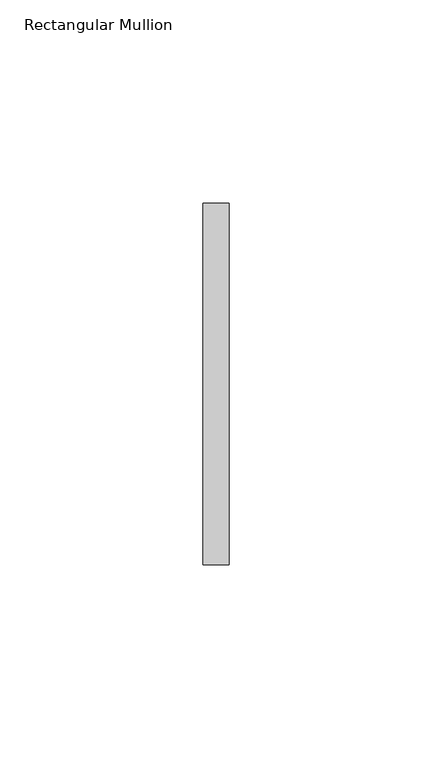
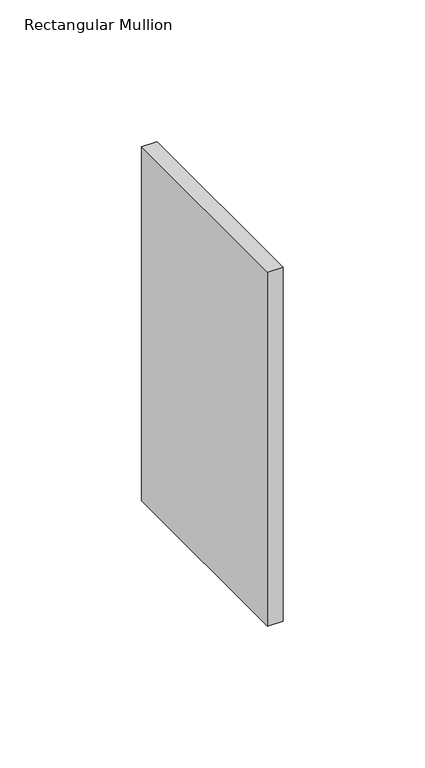
"""IFC4 building model written with IfcOpenShell, lengths in millimetres: member geometry, Rectangular Mullion."""

import ifcopenshell
import ifcopenshell.guid

model = None  # the IFC model being written
_history = None  # IfcOwnerHistory: only IFC2X3 demands one
_inside = {}  # id of a spatial element -> (the spatial element, [elements in it])
_under = {}  # id of a project, library or spatial element -> (it, [spatial elements below it])
_declared = {}  # id of a project -> (the project, [libraries it declares])
_typed = {}  # id of a type object -> (the type object, [elements of that type])
_made_of = {}  # id of a material, layer set ... -> (it, [elements and type objects made of it])


def new_model(schema):
    """Start an empty IFC model of exactly this schema.

    Asked for "IFC4X3", IfcOpenShell would pick the latest addendum, in which some entities
    have other attributes; the version numbers below select the first issue.
    IFC2X3 requires an IfcOwnerHistory on every rooted entity: one is made here for all.
    """
    global model, _history
    if schema == "IFC4X3":
        model = ifcopenshell.file(schema_version=(4, 3, 0, 0))
    else:
        model = ifcopenshell.file(schema=schema)
    _inside.clear()
    _under.clear()
    _declared.clear()
    _typed.clear()
    _made_of.clear()
    _history = None
    if model.schema == "IFC2X3":
        org = make("IfcOrganization", Name="unknown")
        user = make(
            "IfcPersonAndOrganization",
            ThePerson=make("IfcPerson", FamilyName="unknown"),
            TheOrganization=org,
        )
        app = make(
            "IfcApplication",
            ApplicationDeveloper=org,
            Version="unknown",
            ApplicationFullName="unknown",
            ApplicationIdentifier="unknown",
        )
        _history = make(
            "IfcOwnerHistory",
            OwningUser=user,
            OwningApplication=app,
            ChangeAction="ADDED",
            CreationDate=0,
        )
    return model


def make(cls, **values):
    """One entity of the class cls with the attributes given. An attribute that is None is left unset."""
    return model.create_entity(
        cls, **{name: value for name, value in values.items() if value is not None}
    )


def rooted(cls, **values):
    """An entity with a GlobalId (a new one), such as an element, a storey or a relation."""
    return make(cls, GlobalId=ifcopenshell.guid.new(), OwnerHistory=_history, **values)


def si_unit(unit_type, name, prefix=None):
    """IfcSIUnit, for example si_unit("LENGTHUNIT", "METRE", prefix="MILLI")."""
    return make("IfcSIUnit", UnitType=unit_type, Prefix=prefix, Name=name)


def assignment(units):
    """IfcUnitAssignment: the units of a project."""
    return None if units is None else make("IfcUnitAssignment", Units=units)


def point(xyz):
    """IfcCartesianPoint."""
    return None if xyz is None else make("IfcCartesianPoint", Coordinates=xyz)


def direction(xyz):
    """IfcDirection."""
    return None if xyz is None else make("IfcDirection", DirectionRatios=xyz)


def frame(location, z_axis=None, x_axis=None):
    """IfcAxis2Placement3D, a coordinate frame: its origin and axes. An axis left out is left unset."""
    return make(
        "IfcAxis2Placement3D",
        Location=point(location),
        Axis=direction(z_axis),
        RefDirection=direction(x_axis),
    )


def origin():
    """The frame at (0, 0, 0) with its axes left unset."""
    return frame((0.0, 0.0, 0.0))


def place(relative_to, where):
    """IfcLocalPlacement: puts the frame where relative to a parent placement (None: the world)."""
    return make(
        "IfcLocalPlacement", PlacementRelTo=relative_to, RelativePlacement=where
    )


def context(
    kind, dimensions, precision=None, world=None, true_north=None, identifier=None
):
    """IfcGeometricRepresentationContext, for example the 3D "Model" context."""
    return make(
        "IfcGeometricRepresentationContext",
        ContextIdentifier=identifier,
        ContextType=kind,
        CoordinateSpaceDimension=dimensions,
        Precision=precision,
        WorldCoordinateSystem=world,
        TrueNorth=true_north,
    )


def project(units=None, contexts=None):
    """IfcProject with its units and contexts."""
    return rooted(
        "IfcProject",
        Name="project",
        RepresentationContexts=contexts,
        UnitsInContext=assignment(units),
    )


def spatial(cls, under=None, at=None, **own):
    """A site, building, storey or space (cls), placed at a placement, below another one or the project."""
    s = rooted(cls, ObjectPlacement=at, **own)
    if under is not None:
        _under.setdefault(under.id(), (under, []))[1].append(s)
    return s


def polyline(points):
    """IfcPolyline through the points."""
    return make("IfcPolyline", Points=[point(p) for p in points])


def outline(outer, holes=None, kind="AREA"):
    """IfcArbitraryClosedProfileDef: a profile drawn as a closed curve; with holes, ...WithVoids."""
    if holes is None:
        return make("IfcArbitraryClosedProfileDef", ProfileType=kind, OuterCurve=outer)
    return make(
        "IfcArbitraryProfileDefWithVoids",
        ProfileType=kind,
        OuterCurve=outer,
        InnerCurves=holes,
    )


def extrude(swept, where, along, depth):
    """IfcExtrudedAreaSolid: the profile swept, set in the frame where, extruded along a direction by depth."""
    return make(
        "IfcExtrudedAreaSolid",
        SweptArea=swept,
        Position=where,
        ExtrudedDirection=direction(along),
        Depth=depth,
    )


def shape(context_of_items, identifier, shape_type, items):
    """IfcShapeRepresentation: the items that make up one representation, for example the "Body"."""
    return make(
        "IfcShapeRepresentation",
        ContextOfItems=context_of_items,
        RepresentationIdentifier=identifier,
        RepresentationType=shape_type,
        Items=items,
    )


def source(mapping_origin, context_of_items, identifier, shape_type, items):
    """IfcRepresentationMap: a shape defined once, which mapped items show again and again."""
    return make(
        "IfcRepresentationMap",
        MappingOrigin=mapping_origin,
        MappedRepresentation=shape(context_of_items, identifier, shape_type, items),
    )


def transform(
    local_origin,
    x_axis=None,
    y_axis=None,
    z_axis=None,
    scale=None,
    scale2=None,
    scale3=None,
    uniform=True,
):
    """IfcCartesianTransformationOperator3D, or its non-uniform kind. x_axis, y_axis, z_axis: its Axis1, 2, 3."""
    if uniform:
        return make(
            "IfcCartesianTransformationOperator3D",
            Axis1=direction(x_axis),
            Axis2=direction(y_axis),
            LocalOrigin=point(local_origin),
            Scale=scale,
            Axis3=direction(z_axis),
        )
    return make(
        "IfcCartesianTransformationOperator3DnonUniform",
        Axis1=direction(x_axis),
        Axis2=direction(y_axis),
        LocalOrigin=point(local_origin),
        Scale=scale,
        Axis3=direction(z_axis),
        Scale2=scale2,
        Scale3=scale3,
    )


def mapped(mapping_source, mapping_target):
    """IfcMappedItem: shows the shape of a source again, moved by a transform."""
    return make(
        "IfcMappedItem", MappingSource=mapping_source, MappingTarget=mapping_target
    )


def made_of(thing, what):
    """Note that an element or type object is made of a material, layer set ...; save() writes the relation."""
    if what is not None:
        _made_of.setdefault(what.id(), (what, []))[1].append(thing)
    return thing


def element(
    cls,
    number,
    at=None,
    inside=None,
    cuts=None,
    type_object=None,
    material=None,
    context=None,
    identifier="Body",
    shape_type=None,
    held_by="IfcProductDefinitionShape",
    body=None,
    shapes=None,
    **own,
):
    """One element of the class cls, such as IfcWall. Its Tag is "e" and its number.

    at: its placement. inside: the storey or other place that contains it. cuts: it is an
    opening in that element (IfcRelVoidsElement). A single representation is given by context,
    identifier, shape_type and body (its items); several are given by shapes. held_by: the class
    of the entity that holds the representations. save() writes the other relations.
    """
    e = rooted(cls, Tag="e%d" % number, ObjectPlacement=at, **own)
    if body is not None:
        shapes = [shape(context, identifier, shape_type, body)]
    if shapes is not None:
        e.Representation = make(held_by, Representations=shapes)
    if inside is not None:
        _inside.setdefault(inside.id(), (inside, []))[1].append(e)
    if cuts is not None:
        rooted(
            "IfcRelVoidsElement", RelatingBuildingElement=cuts, RelatedOpeningElement=e
        )
    if type_object is not None:
        _typed.setdefault(type_object.id(), (type_object, []))[1].append(e)
    return made_of(e, material)


def aggregate(whole, parts):
    """IfcRelAggregates: a whole, such as a stair, and the parts it consists of."""
    return rooted("IfcRelAggregates", RelatingObject=whole, RelatedObjects=parts)


def save(model, path):
    """Write the relations noted so far, then the file.

    IfcRelAggregates (storeys below a building ...), IfcRelContainedInSpatialStructure (elements
    in a storey), IfcRelDefinesByType, IfcRelAssociatesMaterial and IfcRelDeclares: one each for
    every whole, place, type object, material and project.
    """
    for whole, parts in _under.values():
        aggregate(whole, parts)
    for where, things in _inside.values():
        rooted(
            "IfcRelContainedInSpatialStructure",
            RelatedElements=things,
            RelatingStructure=where,
        )
    for kind, things in _typed.values():
        rooted("IfcRelDefinesByType", RelatedObjects=things, RelatingType=kind)
    for what, things in _made_of.values():
        rooted("IfcRelAssociatesMaterial", RelatedObjects=things, RelatingMaterial=what)
    for by, libraries in _declared.values():
        rooted("IfcRelDeclares", RelatingContext=by, RelatedDefinitions=libraries)
    model.write(path)


def rectangular_mullion_b62d6eab(model_context):
    return source(origin(), model_context, "Body", "SweptSolid", [
        extrude(outline(polyline([(0.0, 44.45), (0.0, -44.45), (-6.35, -44.45), (-6.35, 44.45), (0.0, 44.45)])), frame((0.0, 0.0, -152.4), z_axis=(0.0, 0.0, 1.0), x_axis=(1.0, 0.0, 0.0)), (0.0, 0.0, 1.0), 152.4),
    ])


if __name__ == "__main__":
    model = new_model("IFC4")
    model_context = context("Model", 3, world=origin())
    ifc_project = project(units=[si_unit("LENGTHUNIT", "METRE", prefix="MILLI")], contexts=[model_context])
    site = spatial("IfcSite", under=ifc_project)
    building = spatial("IfcBuilding", under=site)
    placement = place(None, origin())
    rectangular_mullion_shape = rectangular_mullion_b62d6eab(model_context)
    element("IfcMember", 1, ObjectType="Rectangular Mullion", at=placement, inside=building, context=model_context, shape_type="MappedRepresentation", body=[
        mapped(rectangular_mullion_shape, transform((0.0, 0.0, 0.0), x_axis=(1.0, 0.0, 0.0), y_axis=(0.0, 1.0, 0.0), z_axis=(0.0, 0.0, 1.0))),
    ])
    save(model, "model.ifc")
